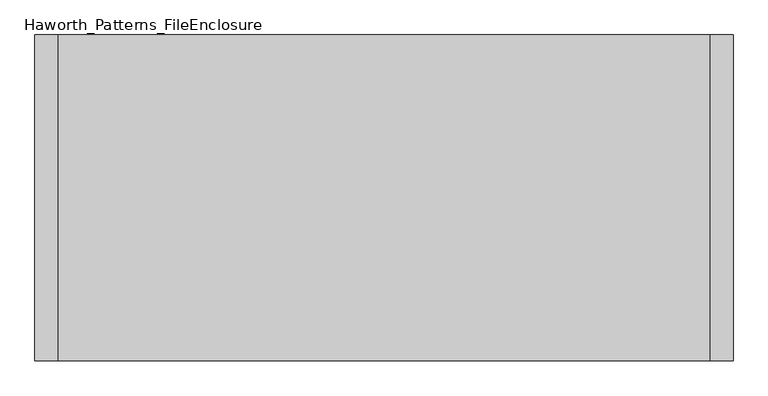
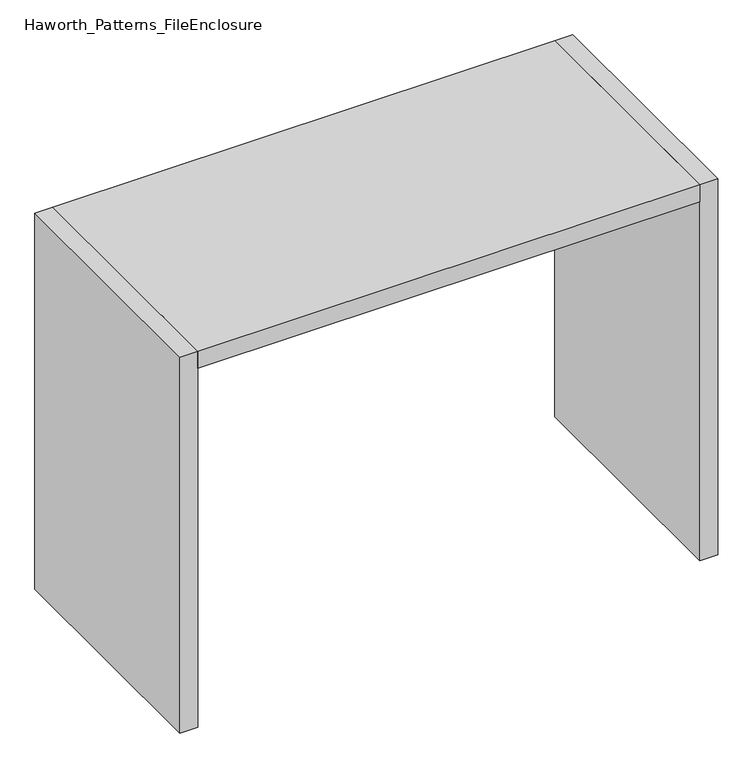
"""IFC4 building model written with IfcOpenShell, lengths in millimetres: furniture geometry, Haworth_Patterns_FileEnclosure."""

from ifc_helpers import new_model, si_unit, frame, origin, origin_with_axes, place, context, project, spatial, polyline, outline, extrude, source, transform, mapped, element, save


def haworth_patterns_fileenclosure_6f624495(model_context):
    return source(origin(), model_context, "Body", "SweptSolid", [
        extrude(outline(polyline([(1066.8, 0.0), (1066.8, -1066.8), (-1066.8, -1066.8), (-1066.8, 0.0), (1066.8, 0.0)])), frame((0.0, 0.0, 1612.9), z_axis=(0.0, 0.0, 1.0), x_axis=(1.0, 0.0, 0.0)), (0.0, 0.0, 1.0), 76.2),
        extrude(outline(polyline([(1066.8, 0.0), (1143.0, 0.0), (1143.0, -1066.8), (1066.8, -1066.8), (1066.8, 0.0)])), origin_with_axes(), (0.0, 0.0, 1.0), 1689.1),
        extrude(outline(polyline([(-1066.8, 0.0), (-1066.8, -1066.8), (-1143.0, -1066.8), (-1143.0, 0.0), (-1066.8, 0.0)])), origin_with_axes(), (0.0, 0.0, 1.0), 1689.1),
    ])


if __name__ == "__main__":
    model = new_model("IFC4")
    model_context = context("Model", 3, world=origin())
    ifc_project = project(units=[si_unit("LENGTHUNIT", "METRE", prefix="MILLI")], contexts=[model_context])
    site = spatial("IfcSite", under=ifc_project)
    building = spatial("IfcBuilding", under=site)
    placement = place(None, origin())
    haworth_patterns_fileenclosure_shape = haworth_patterns_fileenclosure_6f624495(model_context)
    element("IfcFurniture", 1, ObjectType="Haworth_Patterns_FileEnclosure", at=placement, inside=building, context=model_context, shape_type="MappedRepresentation", body=[
        mapped(haworth_patterns_fileenclosure_shape, transform((0.0, 0.0, 0.0), x_axis=(1.0, 0.0, 0.0), y_axis=(0.0, 1.0, 0.0), z_axis=(0.0, 0.0, 1.0))),
    ])
    save(model, "model.ifc")
